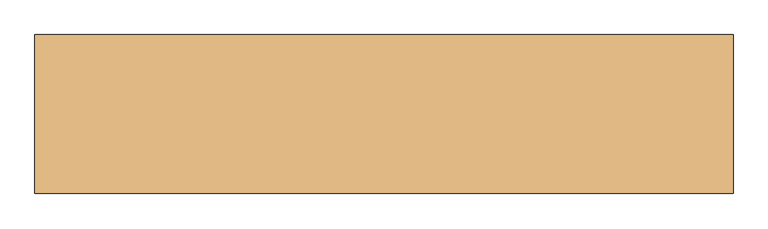
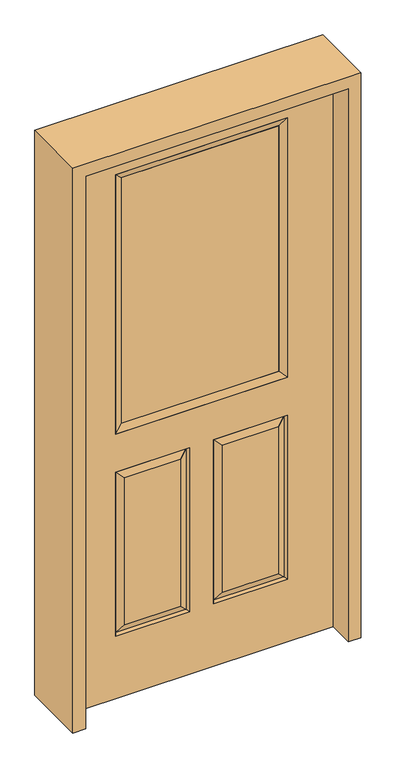
"""IFC4 building model written with IfcOpenShell, lengths in millimetres: door geometry."""

from ifc_helpers import new_model, si_unit, frame, origin, place, context, project, spatial, polyline, outline, extrude, faceted_brep, source, transform, mapped, element, save


def door_a1b75736(model_context):
    return source(origin(), model_context, "Body", "SolidModel", [
        faceted_brep([(-457.2, 22.225, 0.0), (-457.2, 22.225, 2032.0), (457.2, 22.225, 2032.0), (457.2, 22.225, 0.0), (-299.339, 22.225, 971.55), (299.339, 22.225, 971.55), (299.339, 22.225, 1925.574), (-299.339, 22.225, 1925.574), (-299.339, 22.225, 831.85), (-299.339, 22.225, 228.6), (-41.275, 22.225, 228.6), (-41.275, 22.225, 831.85), (41.275, 22.225, 831.85), (41.275, 22.225, 228.6), (299.339, 22.225, 228.6), (299.339, 22.225, 831.85), (-73.025, 22.225, 800.1), (-73.025, 22.225, 260.35), (-267.589, 22.225, 260.35), (-267.589, 22.225, 800.1), (267.589, 22.225, 800.1), (267.589, 22.225, 260.35), (73.025, 22.225, 260.35), (73.025, 22.225, 800.1), (457.2, -22.225, 0.0), (-457.2, -22.225, 0.0), (457.2, -22.225, 2032.0), (-457.2, -22.225, 2032.0), (-299.339, -22.225, 1925.574), (-299.339, -22.225, 971.55), (299.339, -22.225, 971.55), (299.339, -22.225, 1925.574), (-41.275, -22.225, 831.85), (-41.275, -22.225, 228.6), (-299.339, -22.225, 228.6), (-299.339, -22.225, 831.85), (299.339, -22.225, 831.85), (299.339, -22.225, 228.6), (41.275, -22.225, 228.6), (41.275, -22.225, 831.85), (-267.589, -22.225, 800.1), (-267.589, -22.225, 260.35), (-73.025, -22.225, 260.35), (-73.025, -22.225, 800.1), (73.025, -22.225, 800.1), (73.025, -22.225, 260.35), (267.589, -22.225, 260.35), (267.589, -22.225, 800.1), (-292.19525, 12.7449236, 824.70625), (-48.41875, 12.7449236, 824.70625), (-292.19525, 12.7449236, 235.74375), (-48.41875, 12.7449236, 235.74375), (292.19525, 12.7449236, 824.70625), (48.41875, 12.7449236, 824.70625), (48.41875, 12.7449236, 235.74375), (292.19525, 12.7449236, 235.74375), (-292.19525, -12.7449236, 824.70625), (-48.41875, -12.7449236, 824.70625), (-48.41875, -12.7449236, 235.74375), (-292.19525, -12.7449236, 235.74375), (292.19525, -12.7449236, 824.70625), (48.41875, -12.7449236, 824.70625), (292.19525, -12.7449236, 235.74375), (48.41875, -12.7449236, 235.74375)], [[[0, 1, 2, 3], [4, 5, 6, 7], [8, 9, 10, 11], [12, 13, 14, 15]], [[16, 17, 18, 19]], [[20, 21, 22, 23]], [[3, 24, 25, 0]], [[2, 26, 24, 3]], [[0, 25, 27, 1]], [[7, 28, 29, 4]], [[5, 30, 31, 6]], [[4, 29, 30, 5]], [[25, 24, 26, 27], [29, 28, 31, 30], [32, 33, 34, 35], [36, 37, 38, 39]], [[40, 41, 42, 43]], [[44, 45, 46, 47]], [[1, 27, 26, 2]], [[6, 31, 28, 7]], [[16, 19, 48, 49]], [[19, 18, 50, 48]], [[51, 50, 18, 17]], [[49, 51, 17, 16]], [[48, 8, 11, 49]], [[11, 10, 51, 49]], [[10, 9, 50, 51]], [[48, 50, 9, 8]], [[52, 20, 23, 53]], [[23, 22, 54, 53]], [[22, 21, 55, 54]], [[52, 55, 21, 20]], [[53, 12, 15, 52]], [[15, 14, 55, 52]], [[54, 55, 14, 13]], [[53, 54, 13, 12]], [[56, 40, 43, 57]], [[43, 42, 58, 57]], [[42, 41, 59, 58]], [[56, 59, 41, 40]], [[57, 32, 35, 56]], [[35, 34, 59, 56]], [[58, 59, 34, 33]], [[57, 58, 33, 32]], [[44, 47, 60, 61]], [[47, 46, 62, 60]], [[63, 62, 46, 45]], [[61, 63, 45, 44]], [[60, 36, 39, 61]], [[39, 38, 63, 61]], [[38, 37, 62, 63]], [[60, 62, 37, 36]]]),
        extrude(outline(polyline([(273.939, 12.7), (273.939, -12.7), (-273.939, -12.7), (-273.939, 12.7), (273.939, 12.7)])), frame((0.0, 0.0, 996.95), z_axis=(0.0, 0.0, 1.0), x_axis=(1.0, 0.0, 0.0)), (0.0, 0.0, 1.0), 903.224),
        faceted_brep([(-299.339, 22.225, 1925.574), (-299.339, 22.225, 971.55), (-299.339, -22.225, 971.55), (-299.339, -22.225, 1925.574), (299.339, 22.225, 971.55), (299.339, -22.225, 971.55), (273.939, -12.7, 996.95), (-273.939, -12.7, 996.95), (299.339, 22.225, 1925.574), (299.339, -22.225, 1925.574), (-273.939, 12.7, 996.95), (273.939, 12.7, 996.95), (-273.939, 12.7, 1900.174), (273.939, 12.7, 1900.174), (-273.939, -12.7, 1900.174), (273.939, -12.7, 1900.174)], [[[0, 1, 2, 3]], [[1, 4, 5, 2]], [[2, 5, 6, 7]], [[4, 8, 9, 5]], [[10, 11, 4, 1]], [[12, 10, 1, 0]], [[11, 13, 8, 4]], [[7, 6, 11, 10]], [[14, 7, 10, 12]], [[6, 15, 13, 11]], [[3, 2, 7, 14]], [[5, 9, 15, 6]], [[8, 0, 3, 9]], [[13, 12, 0, 8]], [[15, 14, 12, 13]], [[9, 3, 14, 15]]]),
        extrude(outline(polyline([(0.0, -457.2), (2032.0, -457.2), (2032.0, 457.2), (0.0, 457.2), (0.0, 501.65), (2076.45, 501.65), (2076.45, -501.65), (0.0, -501.65), (0.0, -457.2)])), frame((0.0, -114.3, 0.0), z_axis=(0.0, 1.0, 0.0), x_axis=(0.0, 0.0, 1.0)), (0.0, 0.0, 1.0), 228.6),
    ])


if __name__ == "__main__":
    model = new_model("IFC4")
    model_context = context("Model", 3, world=origin())
    ifc_project = project(units=[si_unit("LENGTHUNIT", "METRE", prefix="MILLI")], contexts=[model_context])
    site = spatial("IfcSite", under=ifc_project)
    building = spatial("IfcBuilding", under=site)
    placement = place(None, origin())
    door_shape = door_a1b75736(model_context)
    element("IfcDoor", 1, at=placement, inside=building, context=model_context, shape_type="MappedRepresentation", body=[
        mapped(door_shape, transform((0.0, 0.0, 0.0), x_axis=(1.0, 0.0, 0.0), y_axis=(0.0, 1.0, 0.0), z_axis=(0.0, 0.0, 1.0))),
    ])
    save(model, "model.ifc")
